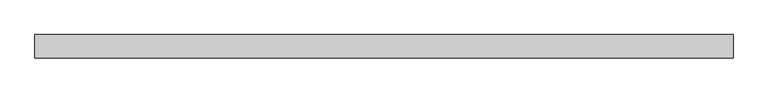
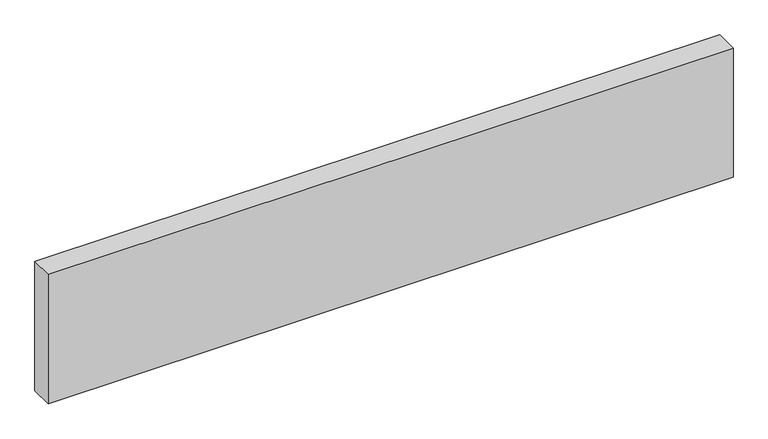
"""IFC4 building model written with IfcOpenShell, lengths in millimetres: plate geometry."""

from ifc_helpers import new_model, si_unit, origin, origin_with_axes, place, context, project, spatial, polyline, outline, extrude, source, transform, mapped, element, save


def plate_5dfd2ea4(model_context):
    return source(origin(), model_context, "Body", "SweptSolid", [
        extrude(outline(polyline([(1500.0, 50.0), (1500.0, -50.0), (-1500.0, -50.0), (-1500.0, 50.0), (1500.0, 50.0)])), origin_with_axes(), (0.0, 0.0, 1.0), 599.05),
    ])


if __name__ == "__main__":
    model = new_model("IFC4")
    model_context = context("Model", 3, world=origin())
    ifc_project = project(units=[si_unit("LENGTHUNIT", "METRE", prefix="MILLI")], contexts=[model_context])
    site = spatial("IfcSite", under=ifc_project)
    building = spatial("IfcBuilding", under=site)
    placement = place(None, origin())
    plate_shape = plate_5dfd2ea4(model_context)
    element("IfcPlate", 1, at=placement, inside=building, context=model_context, shape_type="MappedRepresentation", body=[
        mapped(plate_shape, transform((0.0, 0.0, 0.0), x_axis=(1.0, 0.0, 0.0), y_axis=(0.0, 1.0, 0.0), z_axis=(0.0, 0.0, 1.0))),
    ])
    save(model, "model.ifc")
